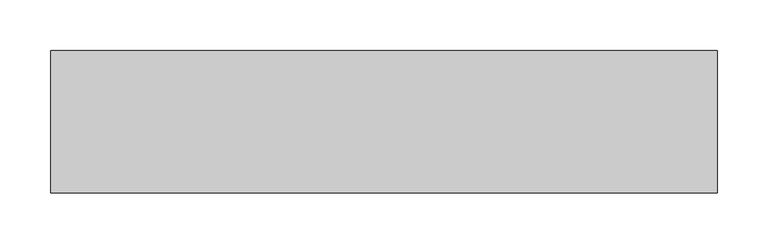
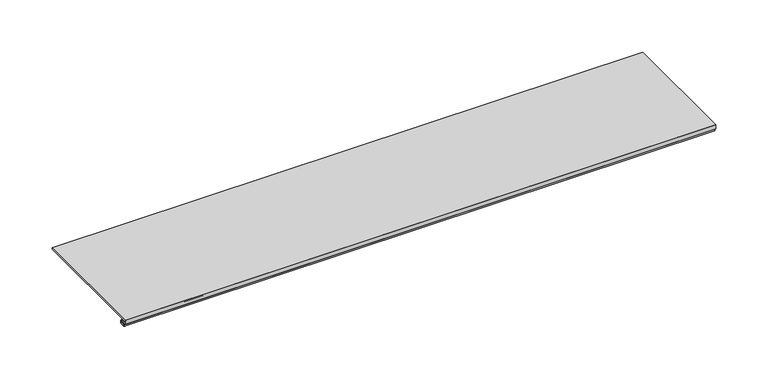
"""IFC4 building model written with IfcOpenShell, lengths in millimetres: proxy geometry."""

from ifc_helpers import new_model, si_unit, point, frame, frame_2d, origin, place, context, project, spatial, polyline, circle_curve, trimmed, segment, composite_curve, outline, extrude, source, transform, mapped, element, save


def generic_models_b50eff82(model_context):
    return source(origin(), model_context, "Body", "SweptSolid", [
        extrude(outline(composite_curve([segment(polyline([(139.7, 13.2537076), (139.7, 11.6837076), (2.2248214, 11.6837076)]), True, "CONTINUOUS"), segment(trimmed(circle_curve(frame_2d((2.2248214, 11.0887076)), 0.595), [point((2.2248214, 11.6837076))], [point((2.2248214, 10.4937076))], True, "CARTESIAN"), True, "CONTINUOUS"), segment(polyline([(2.2248214, 10.4937076), (3.6558496, 10.4937076), (4.9451168, 9.4970429), (6.3249897, 9.4327708)]), True, "CONTINUOUS"), segment(trimmed(circle_curve(frame_2d((6.2187315, 7.151486)), 2.2837581), [point((6.3249897, 9.4327708))], [point((6.2187315, 4.8677279))], False, "CARTESIAN"), True, "CONTINUOUS"), segment(polyline([(6.2187315, 4.8677279), (2.2864187, 4.8677279)]), True, "CONTINUOUS"), segment(trimmed(circle_curve(frame_2d((2.2864187, 5.5318063)), 0.6640784), [point((2.2864187, 4.8677279))], [point((2.2365622, 6.1940104))], False, "CARTESIAN"), True, "CONTINUOUS"), segment(polyline([(2.2365622, 6.1940104), (4.5052255, 6.3177279), (6.0737133, 6.3177279)]), True, "CONTINUOUS"), segment(trimmed(circle_curve(frame_2d((6.0737133, 7.2927279)), 0.975), [point((6.0737133, 6.3177279))], [point((6.0737133, 8.2677279))], True, "CARTESIAN"), True, "CONTINUOUS"), segment(polyline([(6.0737133, 8.2677279), (4.8744927, 8.2677279), (3.9294566, 8.3107178)]), True, "CONTINUOUS"), segment(trimmed(circle_curve(frame_2d((2.4844378, 6.6596487)), 2.1941076), [point((3.9294566, 8.3107178))], [point((1.090066, 8.3537076))], True, "CARTESIAN"), True, "CONTINUOUS"), segment(polyline([(1.090066, 8.3537076), (0.0792777, 8.3537076), (-0.0001544, 13.2537076), (139.7, 13.2537076)]), True, "CONTINUOUS")], self_intersect=False)), frame((0.0, 0.0, 0.0), z_axis=(1.0, 0.0, 0.0), x_axis=(0.0, 1.0, 0.0)), (0.0, 0.0, 1.0), 653.773),
    ])


if __name__ == "__main__":
    model = new_model("IFC4")
    model_context = context("Model", 3, world=origin())
    ifc_project = project(units=[si_unit("LENGTHUNIT", "METRE", prefix="MILLI")], contexts=[model_context])
    site = spatial("IfcSite", under=ifc_project)
    building = spatial("IfcBuilding", under=site)
    placement = place(None, origin())
    generic_models_shape = generic_models_b50eff82(model_context)
    element("IfcBuildingElementProxy", 1, Name="Generic Models", at=placement, inside=building, context=model_context, shape_type="MappedRepresentation", body=[
        mapped(generic_models_shape, transform((0.0, 0.0, 0.0), x_axis=(1.0, 0.0, 0.0), y_axis=(0.0, 1.0, 0.0), z_axis=(0.0, 0.0, 1.0))),
    ])
    save(model, "model.ifc")
